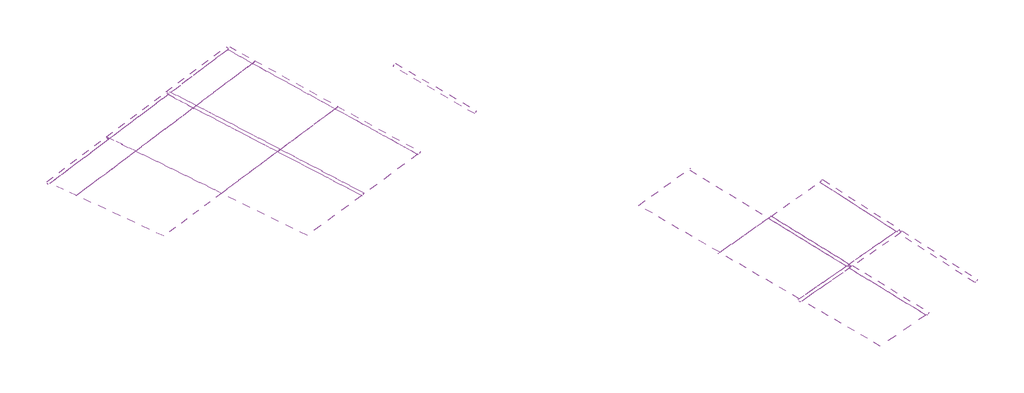
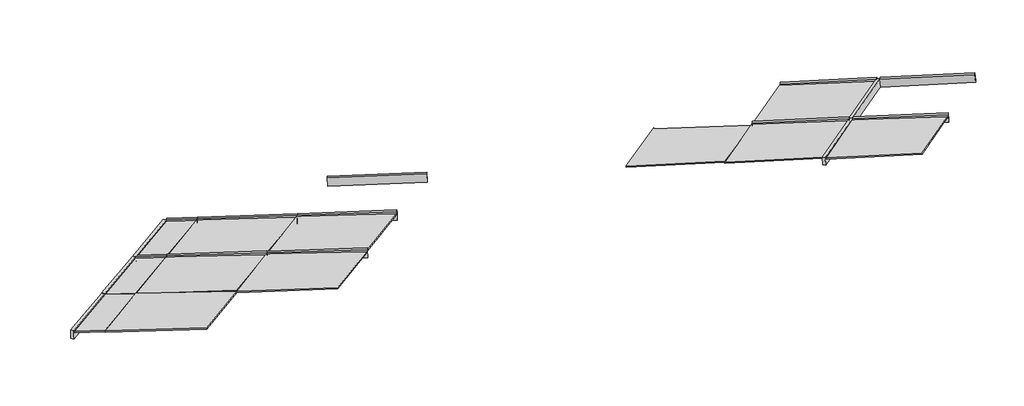
# One storey, part 6 of 18: 16 members, 12 plates.
"""IFC4 building model written with IfcOpenShell, lengths in millimetres."""

import ifcopenshell
import ifcopenshell.guid

model = None  # the IFC model being written
_history = None  # IfcOwnerHistory: only IFC2X3 demands one
_inside = {}  # id of a spatial element -> (the spatial element, [elements in it])
_under = {}  # id of a project, library or spatial element -> (it, [spatial elements below it])
_declared = {}  # id of a project -> (the project, [libraries it declares])
_typed = {}  # id of a type object -> (the type object, [elements of that type])
_made_of = {}  # id of a material, layer set ... -> (it, [elements and type objects made of it])


def new_model(schema):
    """Start an empty IFC model of exactly this schema.

    Asked for "IFC4X3", IfcOpenShell would pick the latest addendum, in which some entities
    have other attributes; the version numbers below select the first issue.
    IFC2X3 requires an IfcOwnerHistory on every rooted entity: one is made here for all.
    """
    global model, _history
    if schema == "IFC4X3":
        model = ifcopenshell.file(schema_version=(4, 3, 0, 0))
    else:
        model = ifcopenshell.file(schema=schema)
    _inside.clear()
    _under.clear()
    _declared.clear()
    _typed.clear()
    _made_of.clear()
    _history = None
    if model.schema == "IFC2X3":
        org = make("IfcOrganization", Name="unknown")
        user = make(
            "IfcPersonAndOrganization",
            ThePerson=make("IfcPerson", FamilyName="unknown"),
            TheOrganization=org,
        )
        app = make(
            "IfcApplication",
            ApplicationDeveloper=org,
            Version="unknown",
            ApplicationFullName="unknown",
            ApplicationIdentifier="unknown",
        )
        _history = make(
            "IfcOwnerHistory",
            OwningUser=user,
            OwningApplication=app,
            ChangeAction="ADDED",
            CreationDate=0,
        )
    return model


def make(cls, **values):
    """One entity of the class cls with the attributes given. An attribute that is None is left unset."""
    return model.create_entity(
        cls, **{name: value for name, value in values.items() if value is not None}
    )


def rooted(cls, **values):
    """An entity with a GlobalId (a new one), such as an element, a storey or a relation."""
    return make(cls, GlobalId=ifcopenshell.guid.new(), OwnerHistory=_history, **values)


def si_unit(unit_type, name, prefix=None):
    """IfcSIUnit, for example si_unit("LENGTHUNIT", "METRE", prefix="MILLI")."""
    return make("IfcSIUnit", UnitType=unit_type, Prefix=prefix, Name=name)


def assignment(units):
    """IfcUnitAssignment: the units of a project."""
    return None if units is None else make("IfcUnitAssignment", Units=units)


def point(xyz):
    """IfcCartesianPoint."""
    return None if xyz is None else make("IfcCartesianPoint", Coordinates=xyz)


def direction(xyz):
    """IfcDirection."""
    return None if xyz is None else make("IfcDirection", DirectionRatios=xyz)


def frame(location, z_axis=None, x_axis=None):
    """IfcAxis2Placement3D, a coordinate frame: its origin and axes. An axis left out is left unset."""
    return make(
        "IfcAxis2Placement3D",
        Location=point(location),
        Axis=direction(z_axis),
        RefDirection=direction(x_axis),
    )


def origin():
    """The frame at (0, 0, 0) with its axes left unset."""
    return frame((0.0, 0.0, 0.0))


def place(relative_to, where):
    """IfcLocalPlacement: puts the frame where relative to a parent placement (None: the world)."""
    return make(
        "IfcLocalPlacement", PlacementRelTo=relative_to, RelativePlacement=where
    )


def context(
    kind, dimensions, precision=None, world=None, true_north=None, identifier=None
):
    """IfcGeometricRepresentationContext, for example the 3D "Model" context."""
    return make(
        "IfcGeometricRepresentationContext",
        ContextIdentifier=identifier,
        ContextType=kind,
        CoordinateSpaceDimension=dimensions,
        Precision=precision,
        WorldCoordinateSystem=world,
        TrueNorth=true_north,
    )


def project(units=None, contexts=None):
    """IfcProject with its units and contexts."""
    return rooted(
        "IfcProject",
        Name="project",
        RepresentationContexts=contexts,
        UnitsInContext=assignment(units),
    )


def spatial(cls, under=None, at=None, **own):
    """A site, building, storey or space (cls), placed at a placement, below another one or the project."""
    s = rooted(cls, ObjectPlacement=at, **own)
    if under is not None:
        _under.setdefault(under.id(), (under, []))[1].append(s)
    return s


def polyline(points):
    """IfcPolyline through the points."""
    return make("IfcPolyline", Points=[point(p) for p in points])


def outline(outer, holes=None, kind="AREA"):
    """IfcArbitraryClosedProfileDef: a profile drawn as a closed curve; with holes, ...WithVoids."""
    if holes is None:
        return make("IfcArbitraryClosedProfileDef", ProfileType=kind, OuterCurve=outer)
    return make(
        "IfcArbitraryProfileDefWithVoids",
        ProfileType=kind,
        OuterCurve=outer,
        InnerCurves=holes,
    )


def extrude(swept, where, along, depth):
    """IfcExtrudedAreaSolid: the profile swept, set in the frame where, extruded along a direction by depth."""
    return make(
        "IfcExtrudedAreaSolid",
        SweptArea=swept,
        Position=where,
        ExtrudedDirection=direction(along),
        Depth=depth,
    )


def shape(context_of_items, identifier, shape_type, items):
    """IfcShapeRepresentation: the items that make up one representation, for example the "Body"."""
    return make(
        "IfcShapeRepresentation",
        ContextOfItems=context_of_items,
        RepresentationIdentifier=identifier,
        RepresentationType=shape_type,
        Items=items,
    )


def source(mapping_origin, context_of_items, identifier, shape_type, items):
    """IfcRepresentationMap: a shape defined once, which mapped items show again and again."""
    return make(
        "IfcRepresentationMap",
        MappingOrigin=mapping_origin,
        MappedRepresentation=shape(context_of_items, identifier, shape_type, items),
    )


def transform(
    local_origin,
    x_axis=None,
    y_axis=None,
    z_axis=None,
    scale=None,
    scale2=None,
    scale3=None,
    uniform=True,
):
    """IfcCartesianTransformationOperator3D, or its non-uniform kind. x_axis, y_axis, z_axis: its Axis1, 2, 3."""
    if uniform:
        return make(
            "IfcCartesianTransformationOperator3D",
            Axis1=direction(x_axis),
            Axis2=direction(y_axis),
            LocalOrigin=point(local_origin),
            Scale=scale,
            Axis3=direction(z_axis),
        )
    return make(
        "IfcCartesianTransformationOperator3DnonUniform",
        Axis1=direction(x_axis),
        Axis2=direction(y_axis),
        LocalOrigin=point(local_origin),
        Scale=scale,
        Axis3=direction(z_axis),
        Scale2=scale2,
        Scale3=scale3,
    )


def mapped(mapping_source, mapping_target):
    """IfcMappedItem: shows the shape of a source again, moved by a transform."""
    return make(
        "IfcMappedItem", MappingSource=mapping_source, MappingTarget=mapping_target
    )


def made_of(thing, what):
    """Note that an element or type object is made of a material, layer set ...; save() writes the relation."""
    if what is not None:
        _made_of.setdefault(what.id(), (what, []))[1].append(thing)
    return thing


def element(
    cls,
    number,
    at=None,
    inside=None,
    cuts=None,
    type_object=None,
    material=None,
    context=None,
    identifier="Body",
    shape_type=None,
    held_by="IfcProductDefinitionShape",
    body=None,
    shapes=None,
    **own,
):
    """One element of the class cls, such as IfcWall. Its Tag is "e" and its number.

    at: its placement. inside: the storey or other place that contains it. cuts: it is an
    opening in that element (IfcRelVoidsElement). A single representation is given by context,
    identifier, shape_type and body (its items); several are given by shapes. held_by: the class
    of the entity that holds the representations. save() writes the other relations.
    """
    e = rooted(cls, Tag="e%d" % number, ObjectPlacement=at, **own)
    if body is not None:
        shapes = [shape(context, identifier, shape_type, body)]
    if shapes is not None:
        e.Representation = make(held_by, Representations=shapes)
    if inside is not None:
        _inside.setdefault(inside.id(), (inside, []))[1].append(e)
    if cuts is not None:
        rooted(
            "IfcRelVoidsElement", RelatingBuildingElement=cuts, RelatedOpeningElement=e
        )
    if type_object is not None:
        _typed.setdefault(type_object.id(), (type_object, []))[1].append(e)
    return made_of(e, material)


def aggregate(whole, parts):
    """IfcRelAggregates: a whole, such as a stair, and the parts it consists of."""
    return rooted("IfcRelAggregates", RelatingObject=whole, RelatedObjects=parts)


def save(model, path):
    """Write the relations noted so far, then the file.

    IfcRelAggregates (storeys below a building ...), IfcRelContainedInSpatialStructure (elements
    in a storey), IfcRelDefinesByType, IfcRelAssociatesMaterial and IfcRelDeclares: one each for
    every whole, place, type object, material and project.
    """
    for whole, parts in _under.values():
        aggregate(whole, parts)
    for where, things in _inside.values():
        rooted(
            "IfcRelContainedInSpatialStructure",
            RelatedElements=things,
            RelatingStructure=where,
        )
    for kind, things in _typed.values():
        rooted("IfcRelDefinesByType", RelatedObjects=things, RelatingType=kind)
    for what, things in _made_of.values():
        rooted("IfcRelAssociatesMaterial", RelatedObjects=things, RelatingMaterial=what)
    for by, libraries in _declared.values():
        rooted("IfcRelDeclares", RelatingContext=by, RelatedDefinitions=libraries)
    model.write(path)


def rectangular_mullion_50_x_150mm_e05d93ec(model_context):
    return source(origin(), model_context, "Body", "SweptSolid", [
        extrude(outline(polyline([(25.0, 75.0), (25.0, -75.0), (-25.0, -75.0), (-25.0, 75.0), (25.0, 75.0)])), frame((0.0, 0.0, -1442.9573923), z_axis=(0.0, 0.0, 1.0), x_axis=(1.0, 0.0, 0.0)), (0.0, 0.0, 1.0), 1442.9573923),
    ])


def rectangular_mullion_50_x_150mm_2f356bf4(model_context):
    return source(origin(), model_context, "Body", "SweptSolid", [
        extrude(outline(polyline([(25.0, 75.0), (25.0, -75.0), (-25.0, -75.0), (-25.0, 75.0), (25.0, 75.0)])), frame((0.0, 0.0, -1447.1963877), z_axis=(0.0, 0.0, 1.0), x_axis=(1.0, 0.0, 0.0)), (0.0, 0.0, 1.0), 1447.1963877),
    ])


def rectangular_mullion_50_x_150mm_375ca35b(model_context):
    return source(origin(), model_context, "Body", "SweptSolid", [
        extrude(outline(polyline([(25.0, 75.0), (25.0, -75.0), (-25.0, -75.0), (-25.0, 75.0), (25.0, 75.0)])), frame((0.0, 0.0, -978.6002071), z_axis=(0.0, 0.0, 1.0), x_axis=(1.0, 0.0, 0.0)), (0.0, 0.0, 1.0), 978.6002071),
    ])


def rectangular_mullion_50_x_150mm_88ce3d26(model_context):
    return source(origin(), model_context, "Body", "SweptSolid", [
        extrude(outline(polyline([(25.0, 75.0), (25.0, -75.0), (-25.0, -75.0), (-25.0, 75.0), (25.0, 75.0)])), frame((0.0, 0.0, -1467.9573923), z_axis=(0.0, 0.0, 1.0), x_axis=(1.0, 0.0, 0.0)), (0.0, 0.0, 1.0), 1467.9573923),
    ])


def rectangular_mullion_50_x_150mm_afd900cb(model_context):
    return source(origin(), model_context, "Body", "SweptSolid", [
        extrude(outline(polyline([(25.0, 75.0), (25.0, -75.0), (-25.0, -75.0), (-25.0, 75.0), (25.0, 75.0)])), frame((0.0, 0.0, -1472.1963877), z_axis=(0.0, 0.0, 1.0), x_axis=(1.0, 0.0, 0.0)), (0.0, 0.0, 1.0), 1472.1963877),
    ])


def rectangular_mullion_50_x_150mm_5f3d6e93(model_context):
    return source(origin(), model_context, "Body", "SweptSolid", [
        extrude(outline(polyline([(0.0, 75.0), (0.0, -75.0), (-50.0, -75.0), (-50.0, 75.0), (0.0, 75.0)])), frame((0.0, 0.0, -1201.2626926), z_axis=(0.0, 0.0, 1.0), x_axis=(1.0, 0.0, 0.0)), (0.0, 0.0, 1.0), 1201.2626926),
    ])


def rectangular_mullion_50_x_150mm_3273c7d7(model_context):
    return source(origin(), model_context, "Body", "SweptSolid", [
        extrude(outline(polyline([(25.0, 75.0), (25.0, -75.0), (-25.0, -75.0), (-25.0, 75.0), (25.0, 75.0)])), frame((0.0, 0.0, -1502.9872634), z_axis=(0.0, 0.0, 1.0), x_axis=(1.0, 0.0, 0.0)), (0.0, 0.0, 1.0), 1502.9872634),
    ])


def rectangular_mullion_50_x_150mm_cc159122(model_context):
    return source(origin(), model_context, "Body", "SweptSolid", [
        extrude(outline(polyline([(25.0, 75.0), (25.0, -75.0), (-25.0, -75.0), (-25.0, 75.0), (25.0, 75.0)])), frame((0.0, 0.0, -1510.3121686), z_axis=(0.0, 0.0, 1.0), x_axis=(1.0, 0.0, 0.0)), (0.0, 0.0, 1.0), 1510.3121686),
    ])


def rectangular_mullion_50_x_150mm_f15b9c5b(model_context):
    return source(origin(), model_context, "Body", "SweptSolid", [
        extrude(outline(polyline([(25.0, 75.0), (25.0, -75.0), (-25.0, -75.0), (-25.0, 75.0), (25.0, 75.0)])), frame((0.0, 0.0, -461.690697), z_axis=(0.0, 0.0, 1.0), x_axis=(1.0, 0.0, 0.0)), (0.0, 0.0, 1.0), 461.690697),
    ])


def rectangular_mullion_50_x_150mm_0ab0c800(model_context):
    return source(origin(), model_context, "Body", "SweptSolid", [
        extrude(outline(polyline([(25.0, 75.0), (25.0, -75.0), (-25.0, -75.0), (-25.0, 75.0), (25.0, 75.0)])), frame((0.0, 0.0, -1519.1489137), z_axis=(0.0, 0.0, 1.0), x_axis=(1.0, 0.0, 0.0)), (0.0, 0.0, 1.0), 1519.1489137),
    ])


def rectangular_mullion_50_x_150mm_ee336f40(model_context):
    return source(origin(), model_context, "Body", "SweptSolid", [
        extrude(outline(polyline([(25.0, 75.0), (25.0, -75.0), (-25.0, -75.0), (-25.0, 75.0), (25.0, 75.0)])), frame((0.0, 0.0, -464.6845683), z_axis=(0.0, 0.0, 1.0), x_axis=(1.0, 0.0, 0.0)), (0.0, 0.0, 1.0), 464.6845683),
    ])


def system_panel_glazed_e267f9e1(model_context):
    return source(origin(), model_context, "Body", "SweptSolid", [
        extrude(outline(polyline([(0.0, -908.7779114), (0.0, 533.221303), (842.9195293, 908.7779114), (812.7446168, -538.6632968), (0.0, -908.7779114)])), frame((0.0, -49.5, 0.0), z_axis=(0.0, 1.0, 0.0), x_axis=(0.0, 0.0, 1.0)), (0.0, 0.0, 1.0), 25.0),
    ])


def system_panel_glazed_1df06a2c(model_context):
    return source(origin(), model_context, "Body", "SweptSolid", [
        extrude(outline(polyline([(25.0, 541.7335169), (0.0, 541.7335169), (910.3796936, 913.5347142), (877.7454578, -556.1019461), (25.0, -913.5347142), (25.0, 541.7335169)])), frame((0.0, -49.5, 0.0), z_axis=(0.0, 1.0, 0.0), x_axis=(0.0, 0.0, 1.0)), (0.0, 0.0, 1.0), 25.0),
    ])


def system_panel_glazed_291b2a30(model_context):
    return source(origin(), model_context, "Body", "SweptSolid", [
        extrude(outline(polyline([(25.0, 533.1958743), (0.0, 533.1958743), (901.4737403, 925.409538), (869.2930349, -549.7370602), (25.0, -925.409538), (25.0, 533.1958743)])), frame((0.0, -49.5, 0.0), z_axis=(0.0, 1.0, 0.0), x_axis=(0.0, 0.0, 1.0)), (0.0, 0.0, 1.0), 25.0),
    ])


def system_panel_glazed_8758abe0(model_context):
    return source(origin(), model_context, "Body", "SweptSolid", [
        extrude(outline(polyline([(0.0, -1033.0538371), (0.0, 496.3431385), (1060.2020967, 1033.0538371), (1023.9943556, -507.6964893), (0.0, -1033.0538371)])), frame((0.0, -49.5, 0.0), z_axis=(0.0, 1.0, 0.0), x_axis=(0.0, 0.0, 1.0)), (0.0, 0.0, 1.0), 25.0),
    ])


def system_panel_glazed_6d6ef5ef(model_context):
    return source(origin(), model_context, "Body", "SweptSolid", [
        extrude(outline(polyline([(25.0, 544.3810717), (0.0, 544.3810717), (935.7396622, 941.8546634), (901.9128391, -549.3574692), (926.9064095, -549.9244262), (25.0, -941.8546634), (25.0, 544.3810717)])), frame((0.0, -49.5, 0.0), z_axis=(0.0, 1.0, 0.0), x_axis=(0.0, 0.0, 1.0)), (0.0, 0.0, 1.0), 25.0),
    ])


def system_panel_glazed_c7f2edaf(model_context):
    return source(origin(), model_context, "Body", "SweptSolid", [
        extrude(outline(polyline([(25.0, 517.1125887), (0.0, 517.1125887), (1022.5912058, 981.5650598), (986.5118817, -524.9882879), (1011.5047158, -525.5868227), (25.0, -981.5650598), (25.0, 517.1125887)])), frame((0.0, -49.5, 0.0), z_axis=(0.0, 1.0, 0.0), x_axis=(0.0, 0.0, 1.0)), (0.0, 0.0, 1.0), 25.0),
    ])


def system_panel_glazed_e2c9e30a(model_context):
    return source(origin(), model_context, "Body", "SweptSolid", [
        extrude(outline(polyline([(25.0, 502.7929697), (0.0, 502.7929697), (1036.0241458, 1003.9960984), (1000.1754226, -524.9760407), (25.0, -1003.9960984), (25.0, 502.7929697)])), frame((0.0, -49.5, 0.0), z_axis=(0.0, 1.0, 0.0), x_axis=(0.0, 0.0, 1.0)), (0.0, 0.0, 1.0), 25.0),
    ])


def system_panel_glazed_948ed2bf(model_context):
    return source(origin(), model_context, "Body", "SweptSolid", [
        extrude(outline(polyline([(25.0, 513.0802426), (0.0, 513.0802426), (1059.99345, 985.8123246), (1023.0282214, -520.9170368), (1048.0207011, -521.5301879), (25.0, -985.8123246), (25.0, 513.0802426)])), frame((0.0, -49.5, 0.0), z_axis=(0.0, 1.0, 0.0), x_axis=(0.0, 0.0, 1.0)), (0.0, 0.0, 1.0), 25.0),
    ])


def system_panel_glazed_bd1b0fb4(model_context):
    return source(origin(), model_context, "Body", "SweptSolid", [
        extrude(outline(polyline([(25.0, 498.1072215), (0.0, 498.1072215), (1072.9388083, 1008.8824983), (1036.1814623, -520.0734254), (25.0, -1008.8824983), (25.0, 498.1072215)])), frame((0.0, -49.5, 0.0), z_axis=(0.0, 1.0, 0.0), x_axis=(0.0, 0.0, 1.0)), (0.0, 0.0, 1.0), 25.0),
    ])


def system_panel_glazed_a9563480(model_context):
    return source(origin(), model_context, "Body", "SweptSolid", [
        extrude(outline(polyline([(0.0, -460.3335537), (0.0, -3.4208362), (1046.6003531, 460.3335537), (1035.1681578, 1.0638101), (0.0, -460.3335537)])), frame((0.0, -49.5, 0.0), z_axis=(0.0, 1.0, 0.0), x_axis=(0.0, 0.0, 1.0)), (0.0, 0.0, 1.0), 25.0),
    ])


def system_panel_glazed_930082a8(model_context):
    return source(origin(), model_context, "Body", "SweptSolid", [
        extrude(outline(polyline([(0.0, -480.3612675), (0.0, -21.0802698), (1059.4023051, 480.3612675), (1048.1260911, 18.322115), (0.0, -480.3612675)])), frame((0.0, -49.5, 0.0), z_axis=(0.0, 1.0, 0.0), x_axis=(0.0, 0.0, 1.0)), (0.0, 0.0, 1.0), 25.0),
    ])


def system_panel_glazed_64ac410d(model_context):
    return source(origin(), model_context, "Body", "SweptSolid", [
        extrude(outline(polyline([(0.0, -500.9237202), (0.0, 17.2340136), (22.4913077, -27.4217932), (1071.5052403, 500.9237202), (1060.397706, 35.589081), (0.0, -500.9237202)])), frame((0.0, -49.5, 0.0), z_axis=(0.0, 1.0, 0.0), x_axis=(0.0, 0.0, 1.0)), (0.0, 0.0, 1.0), 25.0),
    ])


model = new_model("IFC4")

# Units and contexts
model_context = context("Model", 3, world=origin())
ifc_project = project(units=[si_unit("LENGTHUNIT", "METRE", prefix="MILLI")], contexts=[model_context])

# Site, building, storey
site = spatial("IfcSite", under=ifc_project)
building = spatial("IfcBuilding", under=site)
storey = spatial("IfcBuildingStorey", under=building, Elevation=16680.0)

# Members
placement = place(None, origin())
rectangular_mullion_50_x_150mm_shape = rectangular_mullion_50_x_150mm_e05d93ec(model_context)
element("IfcMember", 1, ObjectType="Rectangular Mullion : 50 x 150mm", at=placement, inside=storey, context=model_context, shape_type="MappedRepresentation", body=[
    mapped(rectangular_mullion_50_x_150mm_shape, transform((-192070.335564, -9033.0466085, 20818.5157099), x_axis=(-0.5346546184429715, -0.8407530825007414, -0.08531525797360179), y_axis=(-0.12625120758228325, -0.02035553683704184, 0.9917894356687267), z_axis=(-0.835586663106596, 0.5410359566475942, -0.09526291016343515))),
])
rectangular_mullion_50_x_150mm_2_shape = rectangular_mullion_50_x_150mm_2f356bf4(model_context)
element("IfcMember", 2, ObjectType="Rectangular Mullion : 50 x 150mm", at=placement, inside=storey, context=model_context, shape_type="MappedRepresentation", body=[
    mapped(rectangular_mullion_50_x_150mm_2_shape, transform((-192868.7664533, -9586.6010149, 20705.5188692), x_axis=(-0.5151198268461225, -0.8519772684731486, -0.0937352548140424), y_axis=(-0.11153122365705126, -0.04180397228466815, 0.992881268858862), z_axis=(-0.8498307773548694, 0.5219072349625509, -0.07348801231604396))),
])
rectangular_mullion_50_x_150mm_3_shape = rectangular_mullion_50_x_150mm_375ca35b(model_context)
element("IfcMember", 3, ObjectType="Rectangular Mullion : 50 x 150mm", at=placement, inside=storey, context=model_context, shape_type="MappedRepresentation", body=[
    mapped(rectangular_mullion_50_x_150mm_3_shape, transform((-192091.2252306, -9019.5207096, 20816.1341371), x_axis=(-0.5638067237693413, 0.8240657224763929, -0.05511500042585987), y_axis=(-0.12589792223199514, -0.019800028770038197, 0.991845588808244), z_axis=(0.816254673132196, 0.5661480759484805, 0.11491155159375971))),
])
element("IfcMember", 4, ObjectType="Rectangular Mullion : 50 x 150mm", at=placement, inside=storey, context=model_context, shape_type="MappedRepresentation", body=[
    mapped(rectangular_mullion_50_x_150mm_3_shape, transform((-192890.0122228, -9573.553334, 20703.6816689), x_axis=(-0.5668914384760012, 0.8232716108939864, -0.029290812187970798), y_axis=(-0.11118635515410978, -0.04123361245222689, 0.9929437968141418), z_axis=(0.8162546731321997, 0.5661480759484752, 0.11491155159375967))),
])
rectangular_mullion_50_x_150mm_4_shape = rectangular_mullion_50_x_150mm_88ce3d26(model_context)
element("IfcMember", 5, ObjectType="Rectangular Mullion : 50 x 150mm", at=placement, inside=storey, context=model_context, shape_type="MappedRepresentation", body=[
    mapped(rectangular_mullion_50_x_150mm_4_shape, transform((-193338.7205162, -8211.7770786, 20673.9106712), x_axis=(-0.5391385535664626, -0.8409111812468522, -0.04688288933381306), y_axis=(-0.1054729751956657, 0.012185190538806942, 0.9943475110015148), z_axis=(-0.8355866631066087, 0.5410359566475752, -0.09526291016343129))),
])
rectangular_mullion_50_x_150mm_5_shape = rectangular_mullion_50_x_150mm_afd900cb(model_context)
element("IfcMember", 6, ObjectType="Rectangular Mullion : 50 x 150mm", at=placement, inside=storey, context=model_context, shape_type="MappedRepresentation", body=[
    mapped(rectangular_mullion_50_x_150mm_5_shape, transform((-194162.3757928, -8792.1557071, 20593.6556823), x_axis=(-0.5191061381155012, -0.8529620738596473, -0.05463074160086047), y_axis=(-0.09119466668176951, -0.00827880733096957, 0.9957986714783154), z_axis=(-0.8498307773548868, 0.5219072349625232, -0.07348801231603946))),
])
rectangular_mullion_50_x_150mm_6_shape = rectangular_mullion_50_x_150mm_5f3d6e93(model_context)
element("IfcMember", 7, ObjectType="Rectangular Mullion : 50 x 150mm", at=placement, inside=storey, context=model_context, shape_type="MappedRepresentation", body=[
    mapped(rectangular_mullion_50_x_150mm_6_shape, transform((-202868.1118838, -6062.5008858, 20189.5308658), x_axis=(-0.6044151121838427, 0.7948017736716191, -0.05452075505934441), y_axis=(0.02790809807516455, 0.0895174430322145, 0.9955941770896419), z_axis=(0.7961805763930817, 0.6002305956558883, -0.07628710122266896))),
])
element("IfcMember", 8, ObjectType="Rectangular Mullion : 50 x 150mm", at=placement, inside=storey, context=model_context, shape_type="MappedRepresentation", body=[
    mapped(rectangular_mullion_50_x_150mm_6_shape, transform((-203824.5339068, -6783.5355073, 20281.1717144), x_axis=(-0.6036834491811476, 0.7965283495242238, -0.03329987370800285), y_axis=(0.04077723579586033, 0.0725659730367873, 0.9965296767272278), z_axis=(0.7961805763930703, 0.6002305956559032, -0.07628710122267063))),
])
rectangular_mullion_50_x_150mm_7_shape = rectangular_mullion_50_x_150mm_3273c7d7(model_context)
element("IfcMember", 9, ObjectType="Rectangular Mullion : 50 x 150mm", at=placement, inside=storey, context=model_context, shape_type="MappedRepresentation", body=[
    mapped(rectangular_mullion_50_x_150mm_7_shape, transform((-200174.9584872, -6352.3278442, 20202.0866646), x_axis=(-0.5049197923898475, -0.8605001366748806, 0.06779025029829346), y_axis=(-0.010503284347916746, 0.08465595744885923, 0.9963548814987178), z_axis=(-0.8631023602510307, 0.5023672796380442, -0.05178254607655926))),
])
rectangular_mullion_50_x_150mm_8_shape = rectangular_mullion_50_x_150mm_cc159122(model_context)
element("IfcMember", 10, ObjectType="Rectangular Mullion : 50 x 150mm", at=placement, inside=storey, context=model_context, shape_type="MappedRepresentation", body=[
    mapped(rectangular_mullion_50_x_150mm_8_shape, transform((-201098.0869016, -7038.090489, 20250.6215933), x_axis=(-0.4834249314358466, -0.8733255521379102, 0.06002345915774604), y_axis=(0.002574758668287824, 0.06714916446236462, 0.9977396255185049), z_axis=(-0.8753820344764035, 0.48248675597887747, -0.030212977690588665))),
])
element("IfcMember", 11, ObjectType="Rectangular Mullion : 50 x 150mm", at=placement, inside=storey, context=model_context, shape_type="MappedRepresentation", body=[
    mapped(rectangular_mullion_50_x_150mm_8_shape, transform((-202420.1870404, -6309.3848702, 20204.9905654), x_axis=(-0.4831647992376096, -0.8711115041673541, 0.08784374812683231), y_axis=(0.01606457262532012, 0.09149468625154142, 0.9956759773611583), z_axis=(-0.8753820344764028, 0.4824867559788785, -0.030212977690585775))),
])
rectangular_mullion_50_x_150mm_9_shape = rectangular_mullion_50_x_150mm_f15b9c5b(model_context)
element("IfcMember", 12, ObjectType="Rectangular Mullion : 50 x 150mm", at=placement, inside=storey, context=model_context, shape_type="MappedRepresentation", body=[
    mapped(rectangular_mullion_50_x_150mm_9_shape, transform((-202824.3427821, -6086.6252236, 20191.0415147), x_axis=(-0.48301782561453394, -0.870336888419373, 0.09595561888233392), y_axis=(0.020001846279367182, 0.09859123166611104, 0.9949269798251408), z_axis=(-0.8753820344763904, 0.4824867559789007, -0.0302129776905967))),
])
rectangular_mullion_50_x_150mm_10_shape = rectangular_mullion_50_x_150mm_0ab0c800(model_context)
element("IfcMember", 13, ObjectType="Rectangular Mullion : 50 x 150mm", at=placement, inside=storey, context=model_context, shape_type="MappedRepresentation", body=[
    mapped(rectangular_mullion_50_x_150mm_10_shape, transform((-202021.2153159, -7723.8531338, 20299.1565219), x_axis=(-0.4621520210310224, -0.8853264491005197, 0.05111348139196025), y_axis=(0.01580290720122616, 0.04940699779373823, 0.9986537020874648), z_axis=(-0.8866598996125463, 0.46233756833300316, -0.008842812165524799))),
])
element("IfcMember", 14, ObjectType="Rectangular Mullion : 50 x 150mm", at=placement, inside=storey, context=model_context, shape_type="MappedRepresentation", body=[
    mapped(rectangular_mullion_50_x_150mm_10_shape, transform((-203368.1837392, -7021.4935191, 20285.7229734), x_axis=(-0.46151727104457624, -0.8835673869689052, 0.07943853732608765), y_axis=(0.028914199740725004, 0.07451607606990879, 0.9968005434692023), z_axis=(-0.8866598996125405, 0.4623375683330142, -0.008842812165524969))),
])
rectangular_mullion_50_x_150mm_11_shape = rectangular_mullion_50_x_150mm_ee336f40(model_context)
element("IfcMember", 15, ObjectType="Rectangular Mullion : 50 x 150mm", at=placement, inside=storey, context=model_context, shape_type="MappedRepresentation", body=[
    mapped(rectangular_mullion_50_x_150mm_11_shape, transform((-203780.2009118, -6806.6523857, 20281.613855), x_axis=(-0.46126154410597653, -0.8829188638666899, 0.08770443408017484), y_axis=(0.03274156911408102, 0.0818428539108108, 0.9961072918695463), z_axis=(-0.8866598996125392, 0.4623375683330169, -0.008842812165523321))),
])
element("IfcMember", 16, ObjectType="Rectangular Mullion : 50 x 150mm", at=placement, inside=storey, context=model_context, shape_type="MappedRepresentation", body=[
    mapped(rectangular_mullion_50_x_150mm_6_shape, transform((-204780.9559298, -7504.5701289, 20372.812563), x_axis=(-0.6026659131616962, 0.7979057216580894, -0.01184299194725026), y_axis=(0.05376138844343044, 0.05540479567559809, 0.9970155574156203), z_axis=(0.7961805763930778, 0.6002305956558937, -0.07628710122266774))),
])

# Plates
system_panel_glazed_shape = system_panel_glazed_e267f9e1(model_context)
element("IfcPlate", 17, ObjectType="System Panel : Glazed", at=placement, inside=storey, context=model_context, shape_type="MappedRepresentation", body=[
    mapped(system_panel_glazed_shape, transform((-192436.1173797, -9881.7733401, 20743.5044855), x_axis=(-0.8512882159579709, 0.5210951629567327, -0.061385702848394785), y_axis=(0.1141003213784467, 0.06965625409415147, -0.9910242796858745), z_axis=(-0.5121420604016336, -0.8506514194478649, -0.11875467384024256))),
])
system_panel_glazed_2_shape = system_panel_glazed_1df06a2c(model_context)
element("IfcPlate", 18, ObjectType="System Panel : Glazed", at=placement, inside=storey, context=model_context, shape_type="MappedRepresentation", body=[
    mapped(system_panel_glazed_2_shape, transform((-192886.2843729, -8504.9281558, 20727.9110154), x_axis=(-0.8369163210904197, 0.540909356685815, -0.08359509161556929), y_axis=(0.10830748883859577, 0.013956416853580692, -0.9940194697741522), z_axis=(-0.5365077439832114, -0.8409650921877477, -0.07026488716064401))),
])
system_panel_glazed_3_shape = system_panel_glazed_291b2a30(model_context)
element("IfcPlate", 19, ObjectType="System Panel : Glazed", at=placement, inside=storey, context=model_context, shape_type="MappedRepresentation", body=[
    mapped(system_panel_glazed_3_shape, transform((-193709.4558419, -9070.5427302, 20635.3672507), x_axis=(-0.8509939660891388, 0.5215306085902531, -0.06176644706762738), y_axis=(0.09368653831963134, 0.03503145413342042, -0.994985240975454), z_axis=(-0.5167514898068143, -0.8525131210279279, -0.07867195343742059))),
])
system_panel_glazed_4_shape = system_panel_glazed_8758abe0(model_context)
element("IfcPlate", 20, ObjectType="System Panel : Glazed", at=placement, inside=storey, context=model_context, shape_type="MappedRepresentation", body=[
    mapped(system_panel_glazed_4_shape, transform((-203870.8593299, -7952.89778, 20363.0073359), x_axis=(-0.8965621383610586, 0.4423656675764866, 0.022112173277525907), y_axis=(-0.04226732264932533, -0.03575553394330118, -0.9984663315447784), z_axis=(-0.4408965927442668, -0.8961217316537072, 0.05075467037088708))),
])
system_panel_glazed_5_shape = system_panel_glazed_6d6ef5ef(model_context)
element("IfcPlate", 21, ObjectType="System Panel : Glazed", at=placement, inside=storey, context=model_context, shape_type="MappedRepresentation", body=[
    mapped(system_panel_glazed_5_shape, transform((-194972.250715, -8294.8992725, 20525.9520564), x_axis=(-0.8507331521311562, 0.5219095145542689, -0.062157561750076536), y_axis=(0.07455652910721866, 0.002765585252981713, -0.9972129539399762), z_axis=(-0.5202830266619042, -0.8529963717132305, -0.04126453697295628))),
])
system_panel_glazed_6_shape = system_panel_glazed_c7f2edaf(model_context)
element("IfcPlate", 22, ObjectType="System Panel : Glazed", at=placement, inside=storey, context=model_context, shape_type="MappedRepresentation", body=[
    mapped(system_panel_glazed_6_shape, transform((-200645.3868598, -7287.4932818, 20268.6797071), x_axis=(-0.875405809711297, 0.4829752771818882, -0.0199887457031895), y_axis=(-0.002157597019898569, -0.04525489007666679, -0.9989731426315968), z_axis=(-0.48338391894932564, -0.8744637651470912, 0.04065845970969256))),
])
system_panel_glazed_7_shape = system_panel_glazed_e2c9e30a(model_context)
element("IfcPlate", 23, ObjectType="System Panel : Glazed", at=placement, inside=storey, context=model_context, shape_type="MappedRepresentation", body=[
    mapped(system_panel_glazed_7_shape, transform((-201575.3445121, -7956.2544374, 20306.2281144), x_axis=(-0.8865461680375026, 0.46263806804173496, 0.0013820045698681735), y_axis=(-0.015652432100105834, -0.027008742941384445, -0.9995126458299954), z_axis=(-0.4623752732439006, -0.8861357377982999, 0.031185908505141725))),
])
system_panel_glazed_8_shape = system_panel_glazed_948ed2bf(model_context)
element("IfcPlate", 24, ObjectType="System Panel : Glazed", at=placement, inside=storey, context=model_context, shape_type="MappedRepresentation", body=[
    mapped(system_panel_glazed_8_shape, transform((-201970.985759, -6556.7818146, 20222.8784989), x_axis=(-0.8752672575419067, 0.4832108797488302, -0.020358623908094512), y_axis=(-0.0159399401600332, -0.07089350726067495, -0.9973565204759908), z_axis=(-0.48337681593428145, -0.8726289912217231, 0.06975311818545155))),
])
system_panel_glazed_9_shape = system_panel_glazed_bd1b0fb4(model_context)
element("IfcPlate", 25, ObjectType="System Panel : Glazed", at=placement, inside=storey, context=model_context, shape_type="MappedRepresentation", body=[
    mapped(system_panel_glazed_9_shape, transform((-202926.4355029, -7251.6604757, 20292.7052442), x_axis=(-0.886416285056292, 0.462887824679031, 0.0010155544875936635), y_axis=(-0.029043336957808218, -0.053427224776392515, -0.9981492955620657), z_axis=(-0.4619768978697504, -0.8848052855948633, 0.060802569172977286))),
])
system_panel_glazed_10_shape = system_panel_glazed_a9563480(model_context)
element("IfcPlate", 26, ObjectType="System Panel : Glazed", at=placement, inside=storey, context=model_context, shape_type="MappedRepresentation", body=[
    mapped(system_panel_glazed_10_shape, transform((-202844.9561611, -6103.4890541, 20195.020712), x_axis=(-0.8751850113417635, 0.48334959732071187, -0.020600065354824688), y_axis=(-0.02463397305004884, -0.08704854212447129, -0.9958994520963318), z_axis=(-0.48316080479948575, -0.871088811823404, 0.08809040028063973))),
])
system_panel_glazed_11_shape = system_panel_glazed_930082a8(model_context)
element("IfcPlate", 27, ObjectType="System Panel : Glazed", at=placement, inside=storey, context=model_context, shape_type="MappedRepresentation", body=[
    mapped(system_panel_glazed_11_shape, transform((-203816.1205629, -6815.8247637, 20285.6164896), x_axis=(-0.8863394609166709, 0.4630353745407406, 0.000775851700587825), y_axis=(-0.037485311213660444, -0.07008387476918213, -0.9968365472536371), z_axis=(-0.4615162093200631, -0.8835646509572765, 0.07947512889946184))),
])
system_panel_glazed_12_shape = system_panel_glazed_64ac410d(model_context)
element("IfcPlate", 28, ObjectType="System Panel : Glazed", at=placement, inside=storey, context=model_context, shape_type="MappedRepresentation", body=[
    mapped(system_panel_glazed_12_shape, transform((-204765.3798898, -7512.0645195, 20374.9243606), x_axis=(-0.8964908822109262, 0.4425218374932375, 0.021875133240373358), y_axis=(-0.050452994610870744, -0.052910510488833176, -0.9973239058674), z_axis=(-0.4401801829336151, -0.8951954542006009, 0.06976034210860345))),
])

save(model, "model.ifc")
